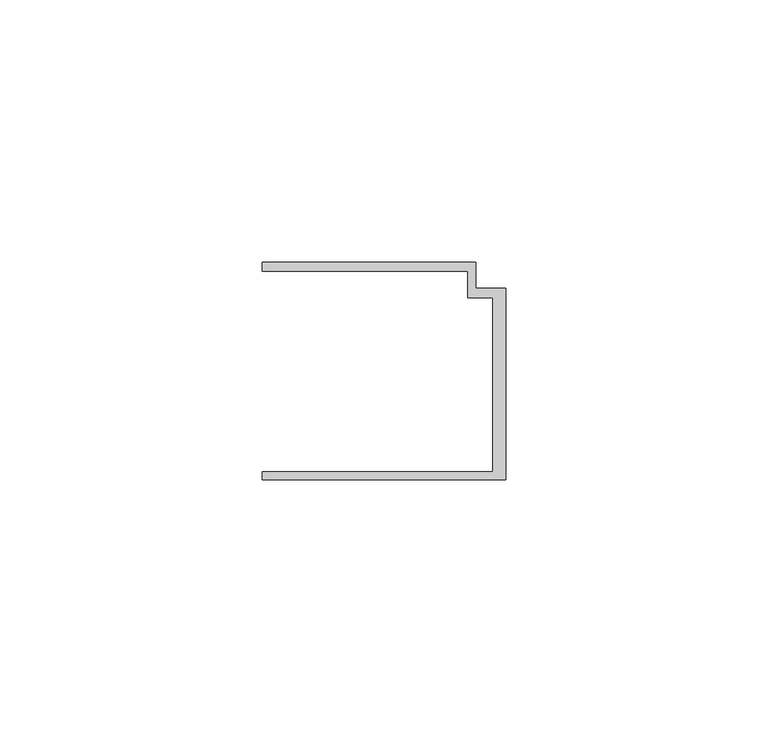
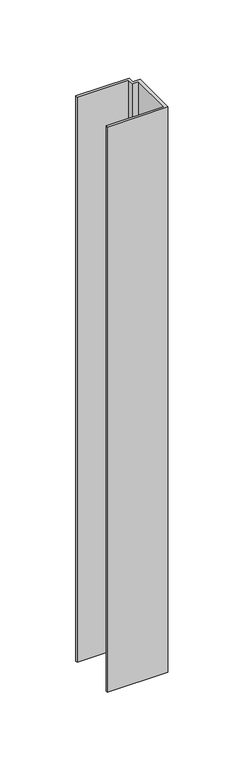
"""IFC4 building model written with IfcOpenShell, lengths in millimetres: member geometry."""

from ifc_helpers import new_model, si_unit, frame, origin, place, context, project, spatial, polyline, outline, extrude, source, transform, mapped, element, save


def member_f0281d86(model_context):
    return source(origin(), model_context, "Body", "SweptSolid", [
        extrude(outline(polyline([(-46.3, -19.2), (-2.4, -19.2), (-2.4, 14.0), (-7.2, 14.0), (-7.2, 19.0), (-46.3, 19.0), (-46.3, 20.7), (-5.6999992, 20.7), (-5.6999992, 15.8), (0.0, 15.8), (0.0, -20.7), (-46.3, -20.7), (-46.3, -19.2)])), frame((0.0, 0.0, -455.2), z_axis=(0.0, 0.0, 1.0), x_axis=(1.0, 0.0, 0.0)), (0.0, 0.0, 1.0), 455.2),
    ])


if __name__ == "__main__":
    model = new_model("IFC4")
    model_context = context("Model", 3, world=origin())
    ifc_project = project(units=[si_unit("LENGTHUNIT", "METRE", prefix="MILLI")], contexts=[model_context])
    site = spatial("IfcSite", under=ifc_project)
    building = spatial("IfcBuilding", under=site)
    placement = place(None, origin())
    member_shape = member_f0281d86(model_context)
    element("IfcMember", 1, at=placement, inside=building, context=model_context, shape_type="MappedRepresentation", body=[
        mapped(member_shape, transform((0.0, 0.0, 0.0), x_axis=(1.0, 0.0, 0.0), y_axis=(0.0, 1.0, 0.0), z_axis=(0.0, 0.0, 1.0))),
    ])
    save(model, "model.ifc")
